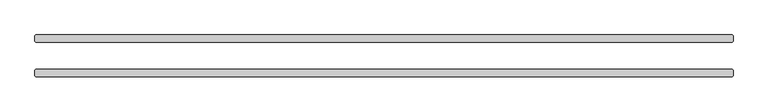
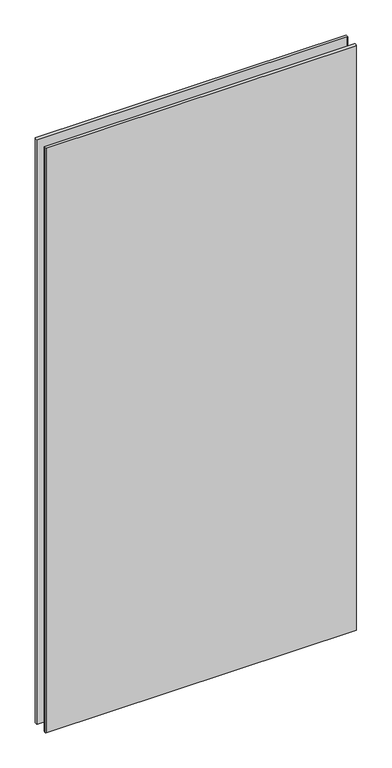
"""IFC4 building model written with IfcOpenShell, lengths in millimetres: plate geometry."""

from ifc_helpers import new_model, si_unit, origin, origin_with_axes, place, context, project, spatial, polyline, outline, extrude, source, transform, mapped, element, save


def plate_3a1456bf(model_context):
    return source(origin(), model_context, "Body", "SweptSolid", [
        extrude(outline(polyline([(609.6, -23.8125), (611.1875, -25.4), (611.1875, -34.925), (609.6, -36.5125), (-609.6, -36.5125), (-611.1875, -34.925), (-611.1875, -25.4), (-609.6, -23.8125), (609.6, -23.8125)])), origin_with_axes(), (0.0, 0.0, 1.0), 2428.7789267),
        extrude(outline(polyline([(609.6, 36.5125), (611.1875, 34.925), (611.1875, 25.4), (609.6, 23.8125), (-609.6, 23.8125), (-611.1875, 25.4), (-611.1875, 34.925), (-609.6, 36.5125), (609.6, 36.5125)])), origin_with_axes(), (0.0, 0.0, 1.0), 2428.7789267),
    ])


if __name__ == "__main__":
    model = new_model("IFC4")
    model_context = context("Model", 3, world=origin())
    ifc_project = project(units=[si_unit("LENGTHUNIT", "METRE", prefix="MILLI")], contexts=[model_context])
    site = spatial("IfcSite", under=ifc_project)
    building = spatial("IfcBuilding", under=site)
    placement = place(None, origin())
    plate_shape = plate_3a1456bf(model_context)
    element("IfcPlate", 1, at=placement, inside=building, context=model_context, shape_type="MappedRepresentation", body=[
        mapped(plate_shape, transform((0.0, 0.0, 0.0), x_axis=(1.0, 0.0, 0.0), y_axis=(0.0, 1.0, 0.0), z_axis=(0.0, 0.0, 1.0))),
    ])
    save(model, "model.ifc")
